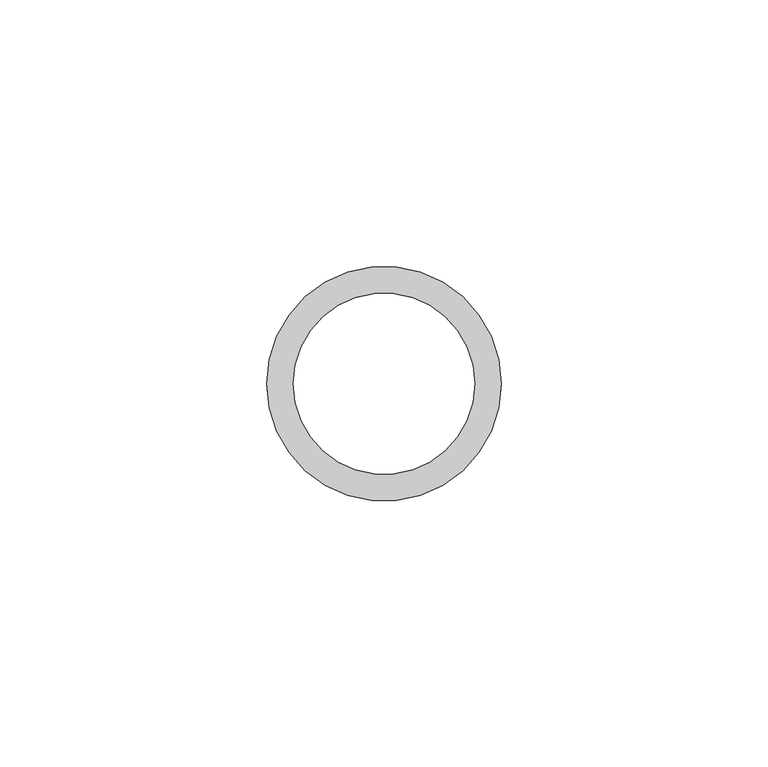
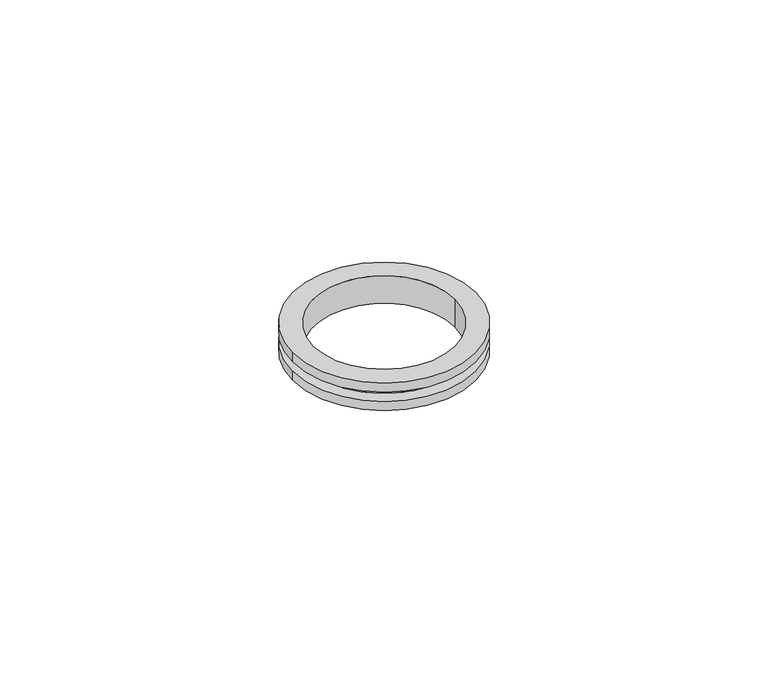
"""IFC4 building model written with IfcOpenShell, lengths in millimetres: proxy geometry."""

from ifc_helpers import new_model, si_unit, frame, origin, place, context, project, spatial, polyline, circle_curve, source, transform, mapped, element, save
from ifc_brep_helpers import plane_surface, cylinder_surface, revolved_surface, advanced_brep


def generic_models_53cf0ed3(model_context):
    return source(origin(), model_context, "Body", "AdvancedBrep", [
        advanced_brep(
        [(-17.0, 0.0, 3.5), (-17.0, 0.0, -3.5), (17.0, 0.0, -3.5), (17.0, 0.0, 3.5), (-22.0, 0.0, -1.2), (-22.0, 0.0, -3.5), (22.0, 0.0, -3.5), (22.0, 0.0, -1.2), (-19.0, 0.0, 1.2), (-19.0, 0.0, -1.2), (19.0, 0.0, -1.2), (19.0, 0.0, 1.2), (-22.0, 0.0, 3.5), (-22.0, 0.0, 1.2), (22.0, 0.0, 1.2), (22.0, 0.0, 3.5)],
        [
            (0, 1),
            (1, 2, circle_curve(frame((0.0, 0.0, -3.5), z_axis=(0.0, 0.0, -1.0), x_axis=(-1.0, 0.0, 0.0)), 17.0)),
            (2, 3),
            (3, 0, circle_curve(frame((0.0, 0.0, 3.5), z_axis=(0.0, 0.0, 1.0), x_axis=(-1.0, 0.0, 0.0)), 17.0)),
            (4, 5),
            (5, 6, circle_curve(frame((0.0, 0.0, -3.5), z_axis=(0.0, 0.0, 1.0), x_axis=(-1.0, 0.0, 0.0)), 22.0)),
            (6, 7),
            (7, 4, circle_curve(frame((0.0, 0.0, -1.2), z_axis=(0.0, 0.0, -1.0), x_axis=(-1.0, 0.0, 0.0)), 22.0)),
            (8, 9),
            (9, 10, circle_curve(frame((0.0, 0.0, -1.2), z_axis=(0.0, 0.0, 1.0), x_axis=(-1.0, 0.0, 0.0)), 19.0)),
            (10, 11),
            (11, 8, circle_curve(frame((0.0, 0.0, 1.2), z_axis=(0.0, 0.0, -1.0), x_axis=(-1.0, 0.0, 0.0)), 19.0)),
            (12, 13),
            (13, 14, circle_curve(frame((0.0, 0.0, 1.2), z_axis=(0.0, 0.0, 1.0), x_axis=(-1.0, 0.0, 0.0)), 22.0)),
            (14, 15),
            (15, 12, circle_curve(frame((0.0, 0.0, 3.5), z_axis=(0.0, 0.0, -1.0), x_axis=(-1.0, 0.0, 0.0)), 22.0)),
            (12, 15, circle_curve(frame((0.0, 0.0, 3.5), z_axis=(0.0, 0.0, -1.0), x_axis=(-1.0, 0.0, 0.0)), 22.0)),
            (14, 13, circle_curve(frame((0.0, 0.0, 1.2), z_axis=(0.0, 0.0, 1.0), x_axis=(-1.0, 0.0, 0.0)), 22.0)),
            (11, 8, circle_curve(frame((0.0, 0.0, 1.2), z_axis=(0.0, 0.0, 1.0), x_axis=(-1.0, 0.0, 0.0)), 19.0)),
            (10, 9, circle_curve(frame((0.0, 0.0, -1.2), z_axis=(0.0, 0.0, 1.0), x_axis=(-1.0, 0.0, 0.0)), 19.0)),
            (7, 4, circle_curve(frame((0.0, 0.0, -1.2), z_axis=(0.0, 0.0, 1.0), x_axis=(-1.0, 0.0, 0.0)), 22.0)),
            (6, 5, circle_curve(frame((0.0, 0.0, -3.5), z_axis=(0.0, 0.0, 1.0), x_axis=(-1.0, 0.0, 0.0)), 22.0)),
            (1, 2, circle_curve(frame((0.0, 0.0, -3.5), z_axis=(0.0, 0.0, 1.0), x_axis=(-1.0, 0.0, 0.0)), 17.0)),
            (0, 3, circle_curve(frame((0.0, 0.0, 3.5), z_axis=(0.0, 0.0, 1.0), x_axis=(-1.0, 0.0, 0.0)), 17.0)),
        ],
        [
            revolved_surface(polyline([(-17.0, 0.0, -3.5), (-17.0, 0.0, 3.5)]), (0.0, 0.0, 0.0), (0.0, 0.0, -1.0)),
            cylinder_surface(frame((0.0, 0.0, -2.35), z_axis=(0.0, 0.0, -1.0), x_axis=(-1.0, 0.0, 0.0)), 22.0),
            cylinder_surface(frame((0.0, 0.0, 0.0), z_axis=(0.0, 0.0, -1.0), x_axis=(-1.0, 0.0, 0.0)), 19.0),
            cylinder_surface(frame((0.0, 0.0, 2.35), z_axis=(0.0, 0.0, -1.0), x_axis=(-1.0, 0.0, 0.0)), 22.0),
            plane_surface(frame((-19.0, 0.0, 1.2), z_axis=(0.0, 0.0, -1.0), x_axis=(-1.0, 0.0, 0.0))),
            plane_surface(frame((-22.0, 0.0, -1.2), z_axis=(0.0, 0.0, 1.0), x_axis=(1.0, 0.0, 0.0))),
            plane_surface(frame((-17.0, 0.0, -3.5), z_axis=(0.0, 0.0, -1.0), x_axis=(-1.0, 0.0, 0.0))),
            plane_surface(frame((-22.0, 0.0, 3.5), z_axis=(0.0, 0.0, 1.0), x_axis=(1.0, 0.0, 0.0))),
        ],
        [
            (0, [[1, 2, 3, 4]]),
            (1, [[5, 6, 7, 8]]),
            (2, [[9, 10, 11, 12]]),
            (3, [[13, 14, 15, 16]]),
            (3, [[-13, 17, -15, 18]]),
            (4, [[-18, -14], [19, -12]]),
            (2, [[-9, -19, -11, 20]]),
            (5, [[21, -8], [-20, -10]]),
            (1, [[-5, -21, -7, 22]]),
            (6, [[-22, -6], [-2, 23]]),
            (0, [[-1, 24, -3, -23]]),
            (7, [[-17, -16], [-4, -24]]),
        ],
    ),
    ])


if __name__ == "__main__":
    model = new_model("IFC4")
    model_context = context("Model", 3, world=origin())
    ifc_project = project(units=[si_unit("LENGTHUNIT", "METRE", prefix="MILLI")], contexts=[model_context])
    site = spatial("IfcSite", under=ifc_project)
    building = spatial("IfcBuilding", under=site)
    placement = place(None, origin())
    generic_models_shape = generic_models_53cf0ed3(model_context)
    element("IfcBuildingElementProxy", 1, Name="Generic Models", at=placement, inside=building, context=model_context, shape_type="MappedRepresentation", body=[
        mapped(generic_models_shape, transform((0.0, 0.0, 0.0), x_axis=(1.0, 0.0, 0.0), y_axis=(0.0, 1.0, 0.0), z_axis=(0.0, 0.0, 1.0))),
    ])
    save(model, "model.ifc")
